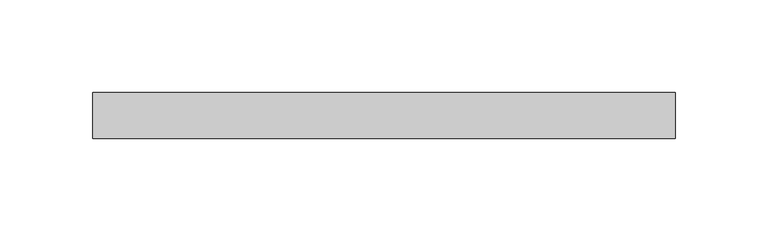
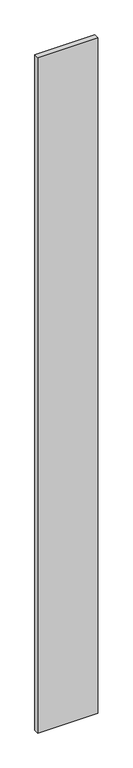
"""IFC4 building model written with IfcOpenShell, lengths in millimetres: plate geometry."""

from ifc_helpers import new_model, si_unit, origin, origin_with_axes, place, context, project, spatial, polyline, outline, extrude, source, transform, mapped, element, save


def plate_316d1575(model_context):
    return source(origin(), model_context, "Body", "SweptSolid", [
        extrude(outline(polyline([(157.5390515, 24.5), (-157.5390515, 24.5), (-157.5390515, 49.5), (157.5390515, 49.5), (157.5390515, 24.5)])), origin_with_axes(), (0.0, 0.0, 1.0), 3750.0),
    ])


if __name__ == "__main__":
    model = new_model("IFC4")
    model_context = context("Model", 3, world=origin())
    ifc_project = project(units=[si_unit("LENGTHUNIT", "METRE", prefix="MILLI")], contexts=[model_context])
    site = spatial("IfcSite", under=ifc_project)
    building = spatial("IfcBuilding", under=site)
    placement = place(None, origin())
    plate_shape = plate_316d1575(model_context)
    element("IfcPlate", 1, at=placement, inside=building, context=model_context, shape_type="MappedRepresentation", body=[
        mapped(plate_shape, transform((0.0, 0.0, 0.0), x_axis=(1.0, 0.0, 0.0), y_axis=(0.0, 1.0, 0.0), z_axis=(0.0, 0.0, 1.0))),
    ])
    save(model, "model.ifc")
